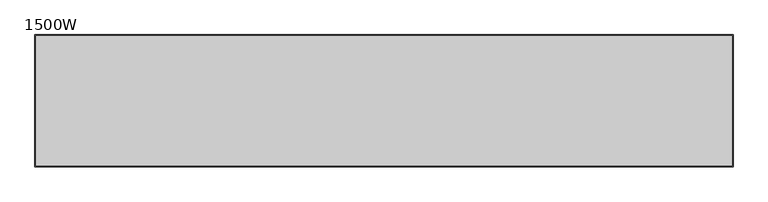
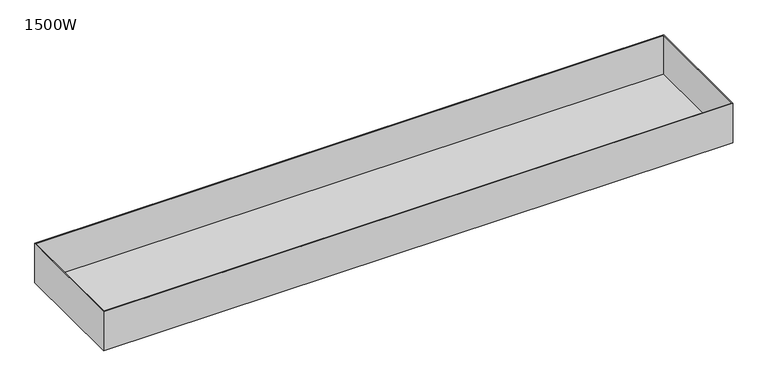
"""IFC4 building model written with IfcOpenShell, lengths in millimetres: furniture geometry, 1500W."""

from ifc_helpers import new_model, si_unit, origin, place, context, project, spatial, faceted_brep, source, transform, mapped, element, save


def furniture_1500w_99d247a7(model_context):
    return source(origin(), model_context, "Body", "Brep", [
        faceted_brep([(-660.0, -125.0, 435.0), (-660.0, -125.0, 522.0), (-660.0, 125.0, 522.0), (-660.0, 125.0, 435.0), (660.0, -125.0, 435.0), (660.0, 125.0, 435.0), (660.0, 125.0, 522.0), (660.0, -125.0, 522.0), (-658.0, 123.0, 522.0), (658.0, 123.0, 522.0), (658.0, -123.0, 522.0), (-658.0, -123.0, 522.0), (658.0, 123.0, 437.0), (-658.0, 123.0, 437.0), (-658.0, -123.0, 437.0), (658.0, -123.0, 437.0)], [[[0, 1, 2, 3]], [[4, 5, 6, 7]], [[1, 0, 4, 7]], [[2, 1, 7, 6], [8, 9, 10, 11]], [[3, 2, 6, 5]], [[0, 3, 5, 4]], [[12, 13, 14, 15]], [[13, 12, 9, 8]], [[14, 13, 8, 11]], [[15, 14, 11, 10]], [[12, 15, 10, 9]]]),
    ])


if __name__ == "__main__":
    model = new_model("IFC4")
    model_context = context("Model", 3, world=origin())
    ifc_project = project(units=[si_unit("LENGTHUNIT", "METRE", prefix="MILLI")], contexts=[model_context])
    site = spatial("IfcSite", under=ifc_project)
    building = spatial("IfcBuilding", under=site)
    placement = place(None, origin())
    furniture_1500w_shape = furniture_1500w_99d247a7(model_context)
    element("IfcFurniture", 1, ObjectType="1500W", at=placement, inside=building, context=model_context, shape_type="MappedRepresentation", body=[
        mapped(furniture_1500w_shape, transform((0.0, 0.0, 0.0), x_axis=(1.0, 0.0, 0.0), y_axis=(0.0, 1.0, 0.0), z_axis=(0.0, 0.0, 1.0))),
    ])
    save(model, "model.ifc")
